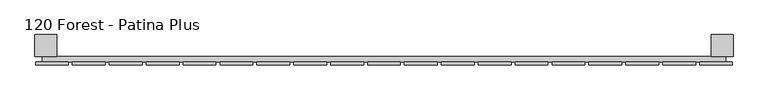
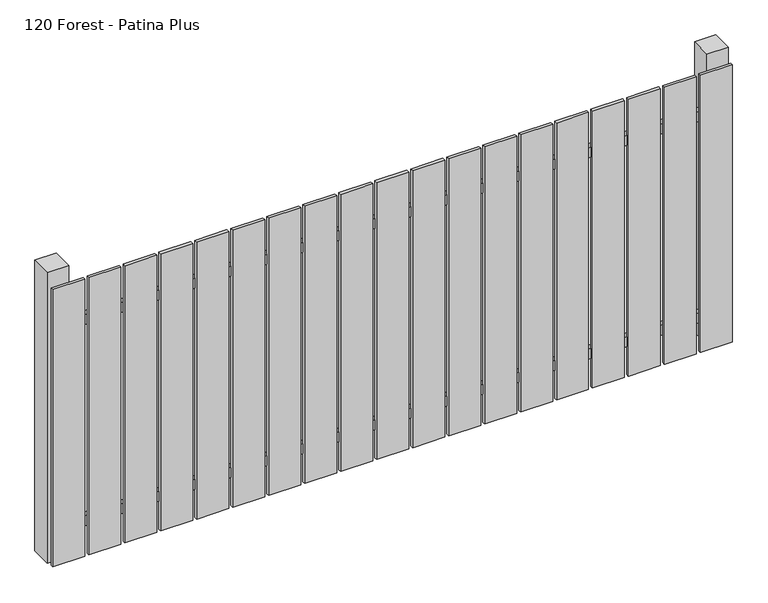
"""IFC4 building model written with IfcOpenShell, lengths in millimetres: railing geometry, 120 Forest - Patina Plus."""

from ifc_helpers import new_model, si_unit, frame, origin, origin_with_axes, place, context, project, spatial, polyline, outline, extrude, source, transform, mapped, element, save


def railing_120_forest_patina_plus_78a762ef(model_context):
    return source(origin(), model_context, "Body", "SweptSolid", [
        extrude(outline(polyline([(6087.4299228, -113439.0267127), (6087.4299228, -113419.0267127), (8587.4299228, -113419.0267127), (8587.4299228, -113439.0267127), (6087.4299228, -113439.0267127)])), frame((0.0, 0.0, 110.0), z_axis=(0.0, 0.0, 1.0), x_axis=(1.0, 0.0, 0.0)), (0.0, 0.0, 1.0), 40.0),
        extrude(outline(polyline([(6087.4299228, -113439.0267127), (6087.4299228, -113419.0267127), (8587.4299228, -113419.0267127), (8587.4299228, -113439.0267127), (6087.4299228, -113439.0267127)])), frame((0.0, 0.0, 910.0), z_axis=(0.0, 0.0, 1.0), x_axis=(1.0, 0.0, 0.0)), (0.0, 0.0, 1.0), 40.0),
        extrude(outline(polyline([(8492.4299228, -113450.5267127), (8492.4299228, -113439.5267127), (8612.4299228, -113439.5267127), (8612.4299228, -113450.5267127), (8492.4299228, -113450.5267127)])), origin_with_axes(), (0.0, 0.0, 1.0), 1100.0),
        extrude(outline(polyline([(8357.4299228, -113450.5267127), (8357.4299228, -113439.5267127), (8477.4299228, -113439.5267127), (8477.4299228, -113450.5267127), (8357.4299228, -113450.5267127)])), origin_with_axes(), (0.0, 0.0, 1.0), 1100.0),
        extrude(outline(polyline([(8222.4299228, -113450.5267127), (8222.4299228, -113439.5267127), (8342.4299228, -113439.5267127), (8342.4299228, -113450.5267127), (8222.4299228, -113450.5267127)])), origin_with_axes(), (0.0, 0.0, 1.0), 1100.0),
        extrude(outline(polyline([(8087.4299228, -113450.5267127), (8087.4299228, -113439.5267127), (8207.4299228, -113439.5267127), (8207.4299228, -113450.5267127), (8087.4299228, -113450.5267127)])), origin_with_axes(), (0.0, 0.0, 1.0), 1100.0),
        extrude(outline(polyline([(7952.4299228, -113450.5267127), (7952.4299228, -113439.5267127), (8072.4299228, -113439.5267127), (8072.4299228, -113450.5267127), (7952.4299228, -113450.5267127)])), origin_with_axes(), (0.0, 0.0, 1.0), 1100.0),
        extrude(outline(polyline([(7817.4299228, -113450.5267127), (7817.4299228, -113439.5267127), (7937.4299228, -113439.5267127), (7937.4299228, -113450.5267127), (7817.4299228, -113450.5267127)])), origin_with_axes(), (0.0, 0.0, 1.0), 1100.0),
        extrude(outline(polyline([(7682.4299228, -113450.5267127), (7682.4299228, -113439.5267127), (7802.4299228, -113439.5267127), (7802.4299228, -113450.5267127), (7682.4299228, -113450.5267127)])), origin_with_axes(), (0.0, 0.0, 1.0), 1100.0),
        extrude(outline(polyline([(7547.4299228, -113450.5267127), (7547.4299228, -113439.5267127), (7667.4299228, -113439.5267127), (7667.4299228, -113450.5267127), (7547.4299228, -113450.5267127)])), origin_with_axes(), (0.0, 0.0, 1.0), 1100.0),
        extrude(outline(polyline([(7412.4299228, -113450.5267127), (7412.4299228, -113439.5267127), (7532.4299228, -113439.5267127), (7532.4299228, -113450.5267127), (7412.4299228, -113450.5267127)])), origin_with_axes(), (0.0, 0.0, 1.0), 1100.0),
        extrude(outline(polyline([(7277.4299228, -113450.5267127), (7277.4299228, -113439.5267127), (7397.4299228, -113439.5267127), (7397.4299228, -113450.5267127), (7277.4299228, -113450.5267127)])), origin_with_axes(), (0.0, 0.0, 1.0), 1100.0),
        extrude(outline(polyline([(7142.4299228, -113450.5267127), (7142.4299228, -113439.5267127), (7262.4299228, -113439.5267127), (7262.4299228, -113450.5267127), (7142.4299228, -113450.5267127)])), origin_with_axes(), (0.0, 0.0, 1.0), 1100.0),
        extrude(outline(polyline([(7007.4299228, -113450.5267127), (7007.4299228, -113439.5267127), (7127.4299228, -113439.5267127), (7127.4299228, -113450.5267127), (7007.4299228, -113450.5267127)])), origin_with_axes(), (0.0, 0.0, 1.0), 1100.0),
        extrude(outline(polyline([(6872.4299228, -113450.5267127), (6872.4299228, -113439.5267127), (6992.4299228, -113439.5267127), (6992.4299228, -113450.5267127), (6872.4299228, -113450.5267127)])), origin_with_axes(), (0.0, 0.0, 1.0), 1100.0),
        extrude(outline(polyline([(6737.4299228, -113450.5267127), (6737.4299228, -113439.5267127), (6857.4299228, -113439.5267127), (6857.4299228, -113450.5267127), (6737.4299228, -113450.5267127)])), origin_with_axes(), (0.0, 0.0, 1.0), 1100.0),
        extrude(outline(polyline([(6602.4299228, -113450.5267127), (6602.4299228, -113439.5267127), (6722.4299228, -113439.5267127), (6722.4299228, -113450.5267127), (6602.4299228, -113450.5267127)])), origin_with_axes(), (0.0, 0.0, 1.0), 1100.0),
        extrude(outline(polyline([(6467.4299228, -113450.5267127), (6467.4299228, -113439.5267127), (6587.4299228, -113439.5267127), (6587.4299228, -113450.5267127), (6467.4299228, -113450.5267127)])), origin_with_axes(), (0.0, 0.0, 1.0), 1100.0),
        extrude(outline(polyline([(6332.4299228, -113450.5267127), (6332.4299228, -113439.5267127), (6452.4299228, -113439.5267127), (6452.4299228, -113450.5267127), (6332.4299228, -113450.5267127)])), origin_with_axes(), (0.0, 0.0, 1.0), 1100.0),
        extrude(outline(polyline([(6197.4299228, -113450.5267127), (6197.4299228, -113439.5267127), (6317.4299228, -113439.5267127), (6317.4299228, -113450.5267127), (6197.4299228, -113450.5267127)])), origin_with_axes(), (0.0, 0.0, 1.0), 1100.0),
        extrude(outline(polyline([(6062.4299228, -113450.5267127), (6062.4299228, -113439.5267127), (6182.4299228, -113439.5267127), (6182.4299228, -113450.5267127), (6062.4299228, -113450.5267127)])), origin_with_axes(), (0.0, 0.0, 1.0), 1100.0),
        extrude(outline(polyline([(8534.9299228, -113339.0267127), (8614.9299228, -113339.0267127), (8614.9299228, -113419.0267127), (8534.9299228, -113419.0267127), (8534.9299228, -113339.0267127)])), frame((0.0, 0.0, -4.0), z_axis=(0.0, 0.0, 1.0), x_axis=(1.0, 0.0, 0.0)), (0.0, 0.0, 1.0), 1154.0),
        extrude(outline(polyline([(6059.9299228, -113339.0267127), (6139.9299228, -113339.0267127), (6139.9299228, -113419.0267127), (6059.9299228, -113419.0267127), (6059.9299228, -113339.0267127)])), frame((0.0, 0.0, -4.0), z_axis=(0.0, 0.0, 1.0), x_axis=(1.0, 0.0, 0.0)), (0.0, 0.0, 1.0), 1154.0),
    ])


if __name__ == "__main__":
    model = new_model("IFC4")
    model_context = context("Model", 3, world=origin())
    ifc_project = project(units=[si_unit("LENGTHUNIT", "METRE", prefix="MILLI")], contexts=[model_context])
    site = spatial("IfcSite", under=ifc_project)
    building = spatial("IfcBuilding", under=site)
    placement = place(None, origin())
    railing_120_forest_patina_plus_shape = railing_120_forest_patina_plus_78a762ef(model_context)
    element("IfcRailing", 1, ObjectType="120 Forest - Patina Plus", at=placement, inside=building, context=model_context, shape_type="MappedRepresentation", body=[
        mapped(railing_120_forest_patina_plus_shape, transform((0.0, 0.0, 0.0), x_axis=(1.0, 0.0, 0.0), y_axis=(0.0, 1.0, 0.0), z_axis=(0.0, 0.0, 1.0))),
    ])
    save(model, "model.ifc")
